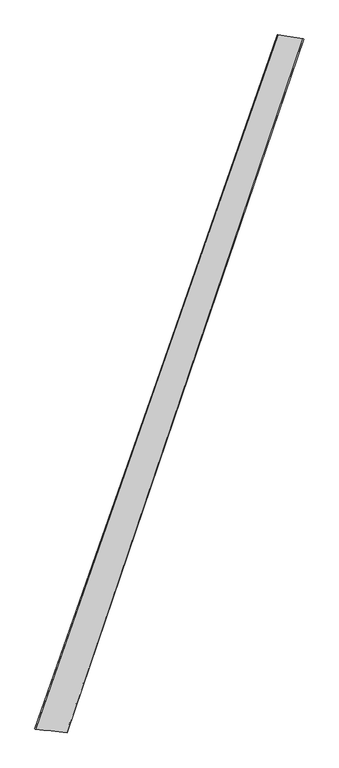
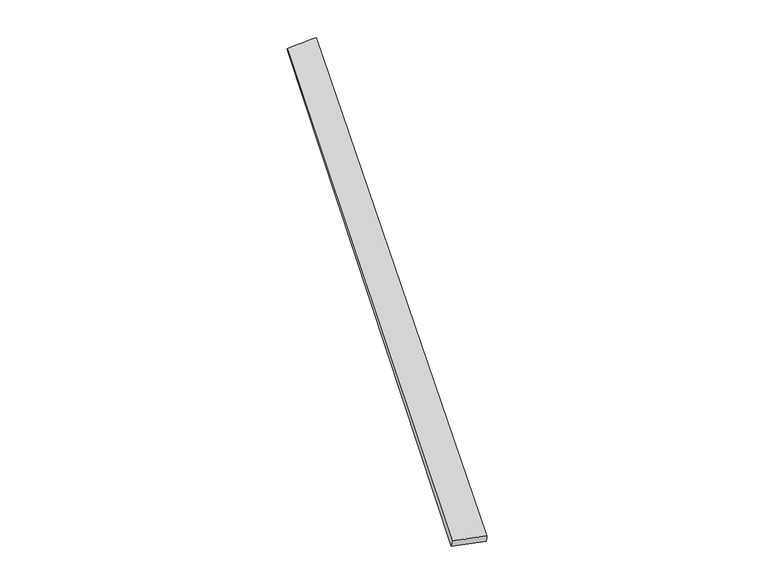
"""IFC4 building model written with IfcOpenShell, lengths in millimetres: proxy geometry."""

from ifc_helpers import new_model, si_unit, origin, place, context, project, spatial, source, transform, mapped, element, save
from ifc_brep_helpers import spline_surface, advanced_brep


def generic_models_ce23f670(model_context):
    return source(origin(), model_context, "Body", "AdvancedBrep", [
        advanced_brep(
        [(-692.4441035, -1754.191729, 10.6685217), (-688.4913438, -1755.3998695, 40.3824256), (676.1546605, 2156.9532117, 16.1660173), (681.8290836, 2154.7787839, -13.2120832), (-510.6356759, -1774.5738569, 19.1497543), (819.4564213, 2134.2371597, 42.8358475), (-513.5019902, -1773.4095803, -10.6902976), (824.1170102, 2132.8225254, 13.2338591)],
        [
            (0, 1),
            (1, 2),
            (2, 3),
            (3, 0),
            (1, 4),
            (4, 5),
            (5, 2),
            (4, 6),
            (6, 7),
            (7, 5),
            (6, 0),
            (3, 7),
        ],
        [
            spline_surface(1, 1, [[(-692.4441035, -1754.191729, 10.6685217), (681.8290836, 2154.7787839, -13.2120832)], [(-688.4913438, -1755.3998695, 40.3824256), (676.1546605, 2156.9532117, 16.1660173)]], [2, 2], [2, 2], [0.0, 1.0], [0.0, 1.0]),
            spline_surface(1, 1, [[(-688.4913438, -1755.3998695, 40.3824256), (676.1546605, 2156.9532117, 16.1660173)], [(-510.6356759, -1774.5738569, 19.1497543), (819.4564213, 2134.2371597, 42.8358475)]], [2, 2], [2, 2], [0.0, 1.0], [0.0, 1.0]),
            spline_surface(1, 1, [[(-510.6356759, -1774.5738569, 19.1497543), (819.4564213, 2134.2371597, 42.8358475)], [(-513.5019902, -1773.4095803, -10.6902976), (824.1170102, 2132.8225254, 13.2338591)]], [2, 2], [2, 2], [0.0, 1.0], [0.0, 1.0]),
            spline_surface(1, 1, [[(-513.5019902, -1773.4095803, -10.6902976), (824.1170102, 2132.8225254, 13.2338591)], [(-692.4441035, -1754.191729, 10.6685217), (681.8290836, 2154.7787839, -13.2120832)]], [2, 2], [2, 2], [0.0, 1.0], [0.0, 1.0]),
            spline_surface(1, 1, [[(676.1546605, 2156.9532117, 16.1660173), (681.8290836, 2154.7787839, -13.2120832)], [(819.4564213, 2134.2371597, 42.8358475), (824.1170102, 2132.8225254, 13.2338591)]], [2, 2], [2, 2], [0.0, 1.0], [0.0, 1.0]),
            spline_surface(1, 1, [[(-513.5019902, -1773.4095803, -10.6902976), (-692.4441035, -1754.191729, 10.6685217)], [(-510.6356759, -1774.5738569, 19.1497543), (-688.4913438, -1755.3998695, 40.3824256)]], [2, 2], [2, 2], [0.0, 1.0], [0.0, 1.0]),
        ],
        [
            (0, [[1, 2, 3, 4]]),
            (1, [[5, 6, 7, -2]]),
            (2, [[8, 9, 10, -6]]),
            (3, [[11, -4, 12, -9]]),
            (4, [[-3, -7, -10, -12]]),
            (5, [[-11, -8, -5, -1]]),
        ],
    ),
    ])


if __name__ == "__main__":
    model = new_model("IFC4")
    model_context = context("Model", 3, world=origin())
    ifc_project = project(units=[si_unit("LENGTHUNIT", "METRE", prefix="MILLI")], contexts=[model_context])
    site = spatial("IfcSite", under=ifc_project)
    building = spatial("IfcBuilding", under=site)
    placement = place(None, origin())
    generic_models_shape = generic_models_ce23f670(model_context)
    element("IfcBuildingElementProxy", 1, Name="Generic Models", at=placement, inside=building, context=model_context, shape_type="MappedRepresentation", body=[
        mapped(generic_models_shape, transform((0.0, 0.0, 0.0), x_axis=(1.0, 0.0, 0.0), y_axis=(0.0, 1.0, 0.0), z_axis=(0.0, 0.0, 1.0))),
    ])
    save(model, "model.ifc")
